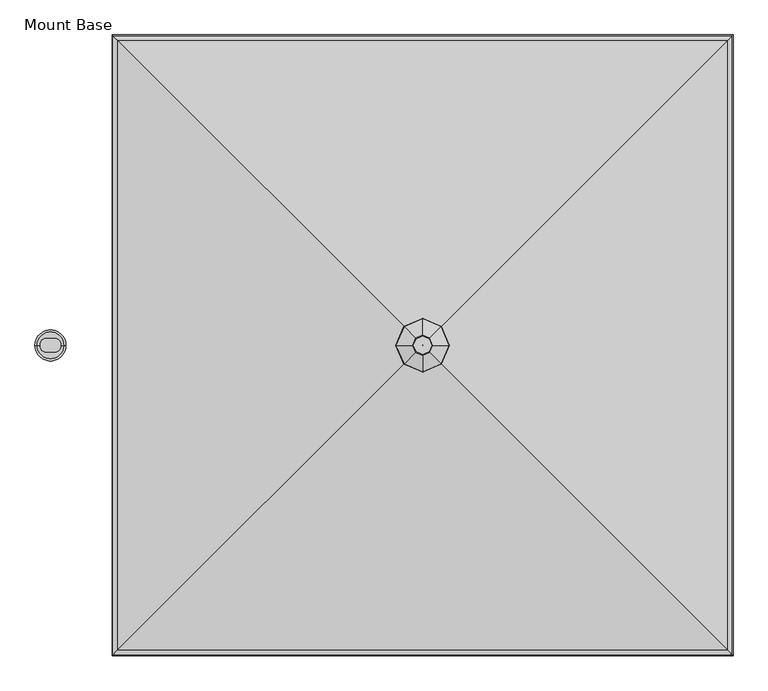
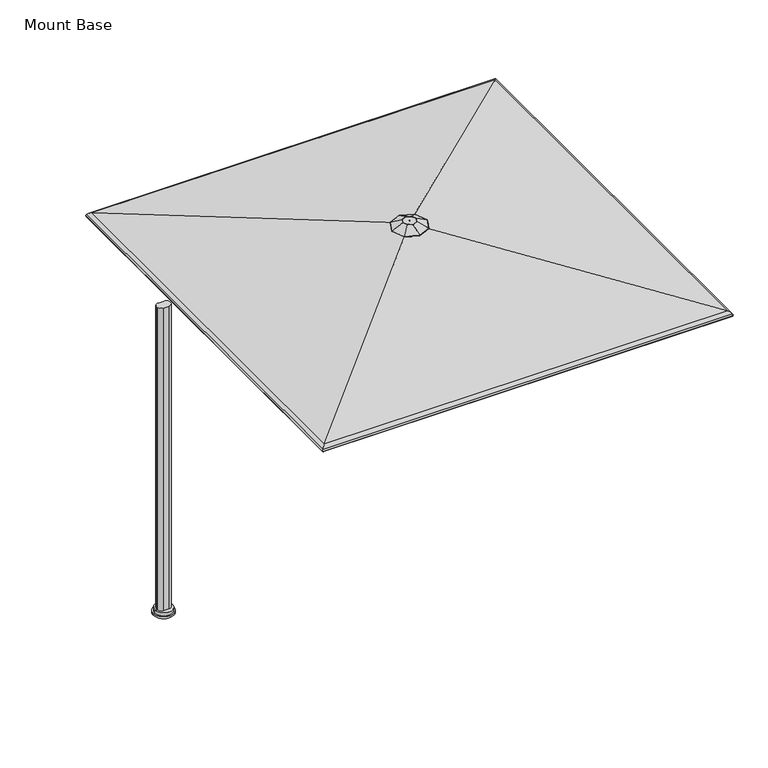
"""IFC4 building model written with IfcOpenShell, lengths in millimetres: furniture geometry, Mount Base."""

import ifcopenshell
import ifcopenshell.guid

model = None  # the IFC model being written
_history = None  # IfcOwnerHistory: only IFC2X3 demands one
_inside = {}  # id of a spatial element -> (the spatial element, [elements in it])
_under = {}  # id of a project, library or spatial element -> (it, [spatial elements below it])
_declared = {}  # id of a project -> (the project, [libraries it declares])
_typed = {}  # id of a type object -> (the type object, [elements of that type])
_made_of = {}  # id of a material, layer set ... -> (it, [elements and type objects made of it])


def new_model(schema):
    """Start an empty IFC model of exactly this schema.

    Asked for "IFC4X3", IfcOpenShell would pick the latest addendum, in which some entities
    have other attributes; the version numbers below select the first issue.
    IFC2X3 requires an IfcOwnerHistory on every rooted entity: one is made here for all.
    """
    global model, _history
    if schema == "IFC4X3":
        model = ifcopenshell.file(schema_version=(4, 3, 0, 0))
    else:
        model = ifcopenshell.file(schema=schema)
    _inside.clear()
    _under.clear()
    _declared.clear()
    _typed.clear()
    _made_of.clear()
    _history = None
    if model.schema == "IFC2X3":
        org = make("IfcOrganization", Name="unknown")
        user = make(
            "IfcPersonAndOrganization",
            ThePerson=make("IfcPerson", FamilyName="unknown"),
            TheOrganization=org,
        )
        app = make(
            "IfcApplication",
            ApplicationDeveloper=org,
            Version="unknown",
            ApplicationFullName="unknown",
            ApplicationIdentifier="unknown",
        )
        _history = make(
            "IfcOwnerHistory",
            OwningUser=user,
            OwningApplication=app,
            ChangeAction="ADDED",
            CreationDate=0,
        )
    return model


def make(cls, **values):
    """One entity of the class cls with the attributes given. An attribute that is None is left unset."""
    return model.create_entity(
        cls, **{name: value for name, value in values.items() if value is not None}
    )


def rooted(cls, **values):
    """An entity with a GlobalId (a new one), such as an element, a storey or a relation."""
    return make(cls, GlobalId=ifcopenshell.guid.new(), OwnerHistory=_history, **values)


def si_unit(unit_type, name, prefix=None):
    """IfcSIUnit, for example si_unit("LENGTHUNIT", "METRE", prefix="MILLI")."""
    return make("IfcSIUnit", UnitType=unit_type, Prefix=prefix, Name=name)


def assignment(units):
    """IfcUnitAssignment: the units of a project."""
    return None if units is None else make("IfcUnitAssignment", Units=units)


def point(xyz):
    """IfcCartesianPoint."""
    return None if xyz is None else make("IfcCartesianPoint", Coordinates=xyz)


def direction(xyz):
    """IfcDirection."""
    return None if xyz is None else make("IfcDirection", DirectionRatios=xyz)


def frame(location, z_axis=None, x_axis=None):
    """IfcAxis2Placement3D, a coordinate frame: its origin and axes. An axis left out is left unset."""
    return make(
        "IfcAxis2Placement3D",
        Location=point(location),
        Axis=direction(z_axis),
        RefDirection=direction(x_axis),
    )


def frame_2d(location, x_axis=None):
    """IfcAxis2Placement2D, a coordinate frame in the plane: its origin and x axis."""
    return make(
        "IfcAxis2Placement2D", Location=point(location), RefDirection=direction(x_axis)
    )


def origin():
    """The frame at (0, 0, 0) with its axes left unset."""
    return frame((0.0, 0.0, 0.0))


def place(relative_to, where):
    """IfcLocalPlacement: puts the frame where relative to a parent placement (None: the world)."""
    return make(
        "IfcLocalPlacement", PlacementRelTo=relative_to, RelativePlacement=where
    )


def context(
    kind, dimensions, precision=None, world=None, true_north=None, identifier=None
):
    """IfcGeometricRepresentationContext, for example the 3D "Model" context."""
    return make(
        "IfcGeometricRepresentationContext",
        ContextIdentifier=identifier,
        ContextType=kind,
        CoordinateSpaceDimension=dimensions,
        Precision=precision,
        WorldCoordinateSystem=world,
        TrueNorth=true_north,
    )


def project(units=None, contexts=None):
    """IfcProject with its units and contexts."""
    return rooted(
        "IfcProject",
        Name="project",
        RepresentationContexts=contexts,
        UnitsInContext=assignment(units),
    )


def spatial(cls, under=None, at=None, **own):
    """A site, building, storey or space (cls), placed at a placement, below another one or the project."""
    s = rooted(cls, ObjectPlacement=at, **own)
    if under is not None:
        _under.setdefault(under.id(), (under, []))[1].append(s)
    return s


def polyline(points):
    """IfcPolyline through the points."""
    return make("IfcPolyline", Points=[point(p) for p in points])


def circle_curve(where, radius):
    """IfcCircle in the frame where."""
    return make("IfcCircle", Position=where, Radius=radius)


def ellipse_curve(where, semi_axis1, semi_axis2):
    """IfcEllipse in the frame where."""
    return make(
        "IfcEllipse", Position=where, SemiAxis1=semi_axis1, SemiAxis2=semi_axis2
    )


def trimmed(basis, trim1, trim2, sense, master):
    """IfcTrimmedCurve: the piece of a basis curve between two trims."""
    return make(
        "IfcTrimmedCurve",
        BasisCurve=basis,
        Trim1=trim1,
        Trim2=trim2,
        SenseAgreement=sense,
        MasterRepresentation=master,
    )


def segment(curve, same_sense, transition):
    """IfcCompositeCurveSegment."""
    return make(
        "IfcCompositeCurveSegment",
        Transition=transition,
        SameSense=same_sense,
        ParentCurve=curve,
    )


def composite_curve(segments, self_intersect=None):
    """IfcCompositeCurve: segments joined end to end."""
    return make("IfcCompositeCurve", Segments=segments, SelfIntersect=self_intersect)


def outline(outer, holes=None, kind="AREA"):
    """IfcArbitraryClosedProfileDef: a profile drawn as a closed curve; with holes, ...WithVoids."""
    if holes is None:
        return make("IfcArbitraryClosedProfileDef", ProfileType=kind, OuterCurve=outer)
    return make(
        "IfcArbitraryProfileDefWithVoids",
        ProfileType=kind,
        OuterCurve=outer,
        InnerCurves=holes,
    )


def extrude(swept, where, along, depth):
    """IfcExtrudedAreaSolid: the profile swept, set in the frame where, extruded along a direction by depth."""
    return make(
        "IfcExtrudedAreaSolid",
        SweptArea=swept,
        Position=where,
        ExtrudedDirection=direction(along),
        Depth=depth,
    )


def shape(context_of_items, identifier, shape_type, items):
    """IfcShapeRepresentation: the items that make up one representation, for example the "Body"."""
    return make(
        "IfcShapeRepresentation",
        ContextOfItems=context_of_items,
        RepresentationIdentifier=identifier,
        RepresentationType=shape_type,
        Items=items,
    )


def source(mapping_origin, context_of_items, identifier, shape_type, items):
    """IfcRepresentationMap: a shape defined once, which mapped items show again and again."""
    return make(
        "IfcRepresentationMap",
        MappingOrigin=mapping_origin,
        MappedRepresentation=shape(context_of_items, identifier, shape_type, items),
    )


def transform(
    local_origin,
    x_axis=None,
    y_axis=None,
    z_axis=None,
    scale=None,
    scale2=None,
    scale3=None,
    uniform=True,
):
    """IfcCartesianTransformationOperator3D, or its non-uniform kind. x_axis, y_axis, z_axis: its Axis1, 2, 3."""
    if uniform:
        return make(
            "IfcCartesianTransformationOperator3D",
            Axis1=direction(x_axis),
            Axis2=direction(y_axis),
            LocalOrigin=point(local_origin),
            Scale=scale,
            Axis3=direction(z_axis),
        )
    return make(
        "IfcCartesianTransformationOperator3DnonUniform",
        Axis1=direction(x_axis),
        Axis2=direction(y_axis),
        LocalOrigin=point(local_origin),
        Scale=scale,
        Axis3=direction(z_axis),
        Scale2=scale2,
        Scale3=scale3,
    )


def mapped(mapping_source, mapping_target):
    """IfcMappedItem: shows the shape of a source again, moved by a transform."""
    return make(
        "IfcMappedItem", MappingSource=mapping_source, MappingTarget=mapping_target
    )


def made_of(thing, what):
    """Note that an element or type object is made of a material, layer set ...; save() writes the relation."""
    if what is not None:
        _made_of.setdefault(what.id(), (what, []))[1].append(thing)
    return thing


def element(
    cls,
    number,
    at=None,
    inside=None,
    cuts=None,
    type_object=None,
    material=None,
    context=None,
    identifier="Body",
    shape_type=None,
    held_by="IfcProductDefinitionShape",
    body=None,
    shapes=None,
    **own,
):
    """One element of the class cls, such as IfcWall. Its Tag is "e" and its number.

    at: its placement. inside: the storey or other place that contains it. cuts: it is an
    opening in that element (IfcRelVoidsElement). A single representation is given by context,
    identifier, shape_type and body (its items); several are given by shapes. held_by: the class
    of the entity that holds the representations. save() writes the other relations.
    """
    e = rooted(cls, Tag="e%d" % number, ObjectPlacement=at, **own)
    if body is not None:
        shapes = [shape(context, identifier, shape_type, body)]
    if shapes is not None:
        e.Representation = make(held_by, Representations=shapes)
    if inside is not None:
        _inside.setdefault(inside.id(), (inside, []))[1].append(e)
    if cuts is not None:
        rooted(
            "IfcRelVoidsElement", RelatingBuildingElement=cuts, RelatedOpeningElement=e
        )
    if type_object is not None:
        _typed.setdefault(type_object.id(), (type_object, []))[1].append(e)
    return made_of(e, material)


def aggregate(whole, parts):
    """IfcRelAggregates: a whole, such as a stair, and the parts it consists of."""
    return rooted("IfcRelAggregates", RelatingObject=whole, RelatedObjects=parts)


def save(model, path):
    """Write the relations noted so far, then the file.

    IfcRelAggregates (storeys below a building ...), IfcRelContainedInSpatialStructure (elements
    in a storey), IfcRelDefinesByType, IfcRelAssociatesMaterial and IfcRelDeclares: one each for
    every whole, place, type object, material and project.
    """
    for whole, parts in _under.values():
        aggregate(whole, parts)
    for where, things in _inside.values():
        rooted(
            "IfcRelContainedInSpatialStructure",
            RelatedElements=things,
            RelatingStructure=where,
        )
    for kind, things in _typed.values():
        rooted("IfcRelDefinesByType", RelatedObjects=things, RelatingType=kind)
    for what, things in _made_of.values():
        rooted("IfcRelAssociatesMaterial", RelatedObjects=things, RelatingMaterial=what)
    for by, libraries in _declared.values():
        rooted("IfcRelDeclares", RelatingContext=by, RelatedDefinitions=libraries)
    model.write(path)


def plane_surface(at):
    """IfcPlane: the flat surface through the origin of the frame at, square to its z axis."""
    return make("IfcPlane", Position=at)


def cylinder_surface(at, radius):
    """IfcCylindricalSurface: all points at the distance radius from the z axis of the frame at."""
    return make("IfcCylindricalSurface", Position=at, Radius=radius)


def revolved_surface(curve, axis_point, axis_direction):
    """IfcSurfaceOfRevolution: the curve turned about the line through axis_point along axis_direction."""
    return make(
        "IfcSurfaceOfRevolution",
        SweptCurve=make("IfcArbitraryOpenProfileDef", ProfileType="CURVE", Curve=curve),
        AxisPosition=make("IfcAxis1Placement", Location=point(axis_point), Axis=direction(axis_direction)),
    )


def advanced_brep(points, edges, surfaces, faces):
    """IfcAdvancedBrep: a solid bounded by faces that lie on surfaces and meet in shared edges.

    An edge is (start, end): straight between two places in points (the first is 0);
    or (start, end, curve); or (start, end, curve, False) where it runs against its curve.
    A face is (place in surfaces, loops), or (place, loops, False) where it looks against
    its surface's normal. A loop lists edges by number (the first is 1), with a minus sign
    where the edge is run from its end to its start. The first loop is the outer one.
    """
    corners = [point(p) for p in points]
    vertices = [make("IfcVertexPoint", VertexGeometry=c) for c in corners]
    made = []
    for start, end, *more in edges:
        made.append(
            make(
                "IfcEdgeCurve",
                EdgeStart=vertices[start],
                EdgeEnd=vertices[end],
                EdgeGeometry=more[0] if more else make("IfcPolyline", Points=[corners[start], corners[end]]),
                SameSense=more[1] if len(more) > 1 else True,
            )
        )
    hull = []
    for where, loops, *sense in faces:
        bounds = []
        for j, loop in enumerate(loops):
            ring = [make("IfcOrientedEdge", EdgeElement=made[abs(k) - 1], Orientation=k > 0) for k in loop]
            bounds.append(
                make(
                    "IfcFaceOuterBound" if j == 0 else "IfcFaceBound",
                    Bound=make("IfcEdgeLoop", EdgeList=ring),
                    Orientation=True,
                )
            )
        hull.append(make("IfcAdvancedFace", Bounds=bounds, FaceSurface=surfaces[where], SameSense=sense[0] if sense else True))
    return make("IfcAdvancedBrep", Outer=make("IfcClosedShell", CfsFaces=hull))


def mount_base_5adf1c4e(model_context):
    return source(origin(), model_context, "Body", "SolidModel", [
        advanced_brep(
        [(243.7167733, -4.0299408, 2843.4799255), (227.6284214, 33.0984806, 2843.4799255), (190.5, 49.1868325, 2843.4799255), (153.3715786, 33.0984806, 2843.4799255), (137.2832267, -4.0299408, 2843.4799255), (153.3715786, -41.1583622, 2843.4799255), (190.5, -57.2467141, 2843.4799255), (227.6284214, -41.1583622, 2843.4799255), (190.2200807, -3.7500215, 2843.4799255), (190.5, -3.6287279, 2843.4799255), (190.7799193, -3.7500215, 2843.4799255), (190.9012128, -4.0299408, 2843.4799255), (190.7799193, -4.30986, 2843.4799255), (190.5, -4.4311536, 2843.4799255), (190.2200807, -4.30986, 2843.4799255), (190.0987872, -4.0299408, 2843.4799255), (170.7122835, 15.7577757, 2828.9716869), (190.5, 24.3321167, 2828.9716869), (210.2877165, 15.7577757, 2828.9716869), (218.8620575, -4.0299408, 2828.9716869), (210.2877165, -23.8176572, 2828.9716869), (190.5, -32.3919982, 2828.9716869), (170.7122835, -23.8176572, 2828.9716869), (162.1379425, -4.0299408, 2828.9716869), (190.9012128, -4.0299408, 2828.9716869), (190.7799193, -3.7500215, 2828.9716869), (190.5, -3.6287279, 2828.9716869), (190.2200807, -3.7500215, 2828.9716869), (190.0987872, -4.0299408, 2828.9716869), (190.2200807, -4.30986, 2828.9716869), (190.5, -4.4311536, 2828.9716869), (190.7799193, -4.30986, 2828.9716869), (84.5700231, 101.9000361, 2796.4187712), (38.6688326, -4.0299408, 2796.4187712), (83.8039003, 102.6661589, 2798.9948487), (37.5707362, -4.0299408, 2798.9948487), (149.033862, 37.4361973, 2842.1265361), (131.0659065, -4.0299408, 2842.1265361), (84.5700231, -109.9599176, 2796.4187712), (83.8039003, -110.7260405, 2798.9948487), (149.033862, -45.4960788, 2842.1265361), (190.5, -155.8611082, 2796.4187712), (190.5, -156.9592046, 2798.9948487), (190.5, -63.4640343, 2842.1265361), (296.4299769, -109.9599176, 2796.4187712), (297.1960997, -110.7260405, 2798.9948487), (231.966138, -45.4960788, 2842.1265361), (342.3311674, -4.0299408, 2796.4187712), (343.4292638, -4.0299408, 2798.9948487), (249.9340935, -4.0299408, 2842.1265361), (296.4299769, 101.9000361, 2796.4187712), (297.1960997, 102.6661589, 2798.9948487), (231.966138, 37.4361973, 2842.1265361), (190.5, 147.8012266, 2796.4187712), (190.5, 148.899323, 2798.9948487), (190.5, 55.4041527, 2842.1265361)],
        [
            (0, 1),
            (1, 2),
            (2, 3),
            (3, 4),
            (4, 5),
            (5, 6),
            (6, 7),
            (7, 0),
            (8, 9),
            (9, 10),
            (10, 11),
            (11, 12),
            (12, 13),
            (13, 14),
            (14, 15),
            (15, 8),
            (16, 17),
            (17, 18),
            (18, 19),
            (19, 20),
            (20, 21),
            (21, 22),
            (22, 23),
            (23, 16),
            (24, 25),
            (25, 26),
            (26, 27),
            (27, 28),
            (28, 29),
            (29, 30),
            (30, 31),
            (31, 24),
            (27, 8),
            (15, 28),
            (14, 29),
            (13, 30),
            (12, 31),
            (11, 24),
            (10, 25),
            (9, 26),
            (32, 16),
            (23, 33),
            (33, 32),
            (34, 32, ellipse_curve(frame((84.278338, 102.1917212, 2797.7538132), z_axis=(-0.7071067811865479, -0.707106781186547, 0.0), x_axis=(-0.7071067811865467, 0.7071067811865482, 0.0)), 1.4936871, 1.3890625)),
            (33, 35, ellipse_curve(frame((38.2507556, -4.0299408, 2797.7538132), z_axis=(0.0, 0.9999999999999999, 0.0), x_axis=(1.0, 0.0, 0.0)), 1.5138634, 1.3890625)),
            (35, 34),
            (36, 34),
            (35, 37),
            (37, 36),
            (3, 36, ellipse_curve(frame((153.3715786, 33.0984806, 2830.7799255), z_axis=(-0.7071067811865479, -0.707106781186547, 0.0), x_axis=(-0.7071067811865467, 0.7071067811865482, 0.0)), 13.656568, 12.7)),
            (37, 4, ellipse_curve(frame((137.2832267, -4.0299408, 2830.7799255), z_axis=(0.0, 0.9999999999999999, 0.0), x_axis=(1.0, 0.0, 0.0)), 13.8410369, 12.7)),
            (22, 38),
            (38, 33),
            (38, 39, ellipse_curve(frame((84.278338, -110.2516027, 2797.7538132), z_axis=(-0.707106781186547, 0.707106781186548, 0.0), x_axis=(0.7071067811865479, 0.707106781186547, 0.0)), 1.4936871, 1.3890625)),
            (39, 35),
            (39, 40),
            (40, 37),
            (40, 5, ellipse_curve(frame((153.3715786, -41.1583622, 2830.7799255), z_axis=(-0.707106781186547, 0.707106781186548, 0.0), x_axis=(0.7071067811865479, 0.707106781186547, 0.0)), 13.656568, 12.7)),
            (21, 41),
            (41, 38),
            (41, 42, ellipse_curve(frame((190.5, -156.2791852, 2797.7538132), z_axis=(-0.9999999999999999, 0.0, 0.0), x_axis=(0.0, 1.0, 0.0)), 1.5138634, 1.3890625)),
            (42, 39),
            (42, 43),
            (43, 40),
            (43, 6, ellipse_curve(frame((190.5, -57.2467141, 2830.7799255), z_axis=(-0.9999999999999999, 0.0, 0.0), x_axis=(0.0, 1.0, 0.0)), 13.8410369, 12.7)),
            (20, 44),
            (44, 41),
            (44, 45, ellipse_curve(frame((296.721662, -110.2516027, 2797.7538132), z_axis=(-0.707106781186548, -0.707106781186547, 0.0), x_axis=(-0.7071067811865469, 0.7071067811865481, 0.0)), 1.4936871, 1.3890625)),
            (45, 42),
            (45, 46),
            (46, 43),
            (46, 7, ellipse_curve(frame((227.6284214, -41.1583622, 2830.7799255), z_axis=(-0.707106781186548, -0.707106781186547, 0.0), x_axis=(-0.7071067811865469, 0.7071067811865481, 0.0)), 13.656568, 12.7)),
            (19, 47),
            (47, 44),
            (47, 48, ellipse_curve(frame((342.7492444, -4.0299408, 2797.7538132), z_axis=(0.0, -1.0, 0.0), x_axis=(-1.0, 0.0, 0.0)), 1.5138634, 1.3890625)),
            (48, 45),
            (48, 49),
            (49, 46),
            (49, 0, ellipse_curve(frame((243.7167733, -4.0299408, 2830.7799255), z_axis=(0.0, -1.0, 0.0), x_axis=(-1.0, 0.0, 0.0)), 13.8410369, 12.7)),
            (18, 50),
            (50, 47),
            (50, 51, ellipse_curve(frame((296.721662, 102.1917212, 2797.7538132), z_axis=(0.707106781186547, -0.707106781186548, 0.0), x_axis=(-0.7071067811865478, -0.7071067811865471, 0.0)), 1.4936871, 1.3890625)),
            (51, 48),
            (51, 52),
            (52, 49),
            (52, 1, ellipse_curve(frame((227.6284214, 33.0984806, 2830.7799255), z_axis=(0.707106781186547, -0.707106781186548, 0.0), x_axis=(-0.7071067811865478, -0.7071067811865471, 0.0)), 13.656568, 12.7)),
            (17, 53),
            (53, 50),
            (53, 54, ellipse_curve(frame((190.5, 148.2193037, 2797.7538132), z_axis=(0.9999999999999999, 0.0, 0.0), x_axis=(0.0, -1.0, 0.0)), 1.5138634, 1.3890625)),
            (54, 51),
            (54, 55),
            (55, 52),
            (55, 2, ellipse_curve(frame((190.5, 49.1868325, 2830.7799255), z_axis=(0.9999999999999999, 0.0, 0.0), x_axis=(0.0, -1.0, 0.0)), 13.8410369, 12.7)),
            (32, 53),
            (34, 54),
            (36, 55),
        ],
        [
            plane_surface(frame((190.5, 49.1868325, 2843.4799255), z_axis=(0.0, 0.0, 1.0), x_axis=(-0.9175613115760063, -0.3975943152246007, 0.0))),
            plane_surface(frame((190.5, -3.6287279, 2828.9716869), z_axis=(0.0, 0.0, -1.0000000000000002), x_axis=(-0.9175613115759947, -0.39759431522462746, 0.0))),
            plane_surface(frame((190.2200807, -3.7500215, 2843.4799255), z_axis=(0.9175613115760348, -0.397594315224535, 0.0), x_axis=(-0.397594315224535, -0.9175613115760348, 0.0))),
            plane_surface(frame((190.0987872, -4.0299408, 2843.4799255), z_axis=(0.9175613115760161, 0.3975943152245781, 0.0), x_axis=(0.3975943152245781, -0.9175613115760161, 0.0))),
            plane_surface(frame((190.2200807, -4.30986, 2843.4799255), z_axis=(0.39759431522454197, 0.9175613115760317, 0.0), x_axis=(0.9175613115760317, -0.39759431522454197, 0.0))),
            plane_surface(frame((190.5, -4.4311536, 2843.4799255), z_axis=(-0.3975943152245726, 0.9175613115760184, 0.0), x_axis=(0.9175613115760184, 0.3975943152245726, 0.0))),
            plane_surface(frame((190.7799193, -4.30986, 2843.4799255), z_axis=(-0.9175613115759994, 0.39759431522461663, 0.0), x_axis=(0.39759431522461663, 0.9175613115759994, 0.0))),
            plane_surface(frame((190.9012128, -4.0299408, 2843.4799255), z_axis=(-0.91756131157602, -0.3975943152245694, 0.0), x_axis=(-0.3975943152245694, 0.91756131157602, 0.0))),
            plane_surface(frame((190.7799193, -3.7500215, 2843.4799255), z_axis=(-0.3975943152246114, -0.9175613115760016, 0.0), x_axis=(-0.9175613115760016, 0.3975943152246114, 0.0))),
            plane_surface(frame((190.5, -3.6287279, 2843.4799255), z_axis=(0.39759431522460253, -0.9175613115760055, 0.0), x_axis=(-0.9175613115760055, -0.39759431522460253, 0.0))),
            plane_surface(frame((170.7122835, 15.7577757, 2828.9716869), z_axis=(0.25339888552783735, -0.10980187928485084, -0.9611100624375781), x_axis=(-0.39759431522460265, -0.9175613115760055, 0.0))),
            cylinder_surface(frame((84.3593942, 102.3787813, 2797.7538132), z_axis=(0.3975943152246023, 0.9175613115760056, 0.0), x_axis=(0.9175613115760056, -0.3975943152246023, 0.0)), 1.3890625),
            plane_surface(frame((83.8039003, 102.6661589, 2798.9948487), z_axis=(-0.4121636618055376, 0.1785972520948631, 0.8934339021053628), x_axis=(-0.3975943152246023, -0.9175613115760056, 0.0))),
            cylinder_surface(frame((167.7366896, 66.2500363, 2830.7799255), z_axis=(0.3975943152246023, 0.9175613115760056, 0.0), x_axis=(0.9175613115760056, -0.3975943152246023, 0.0)), 12.7),
            plane_surface(frame((162.1379425, -4.0299408, 2828.9716869), z_axis=(0.25339888552783774, 0.1098018792848499, -0.9611100624375779), x_axis=(0.39759431522459926, -0.9175613115760068, 0.0))),
            cylinder_surface(frame((38.1619188, -3.8249249, 2797.7538132), z_axis=(-0.39759431522459965, 0.9175613115760068, 0.0), x_axis=(0.9175613115760068, 0.39759431522459965, 0.0)), 1.3890625),
            plane_surface(frame((37.5707362, -4.0299408, 2798.9948487), z_axis=(-0.41216366180553804, -0.17859725209486188, 0.8934339021053624), x_axis=(0.39759431522459965, -0.9175613115760067, 0.0))),
            cylinder_surface(frame((121.5392142, 32.3038202, 2830.7799255), z_axis=(-0.39759431522459965, 0.9175613115760068, 0.0), x_axis=(0.9175613115760068, 0.39759431522459965, 0.0)), 12.7),
            plane_surface(frame((170.7122835, -23.8176572, 2828.9716869), z_axis=(0.10980187928485022, 0.2533988855278375, -0.9611100624375781), x_axis=(0.9175613115760065, -0.39759431522460054, 0.0))),
            cylinder_surface(frame((84.0912779, -110.1705465, 2797.7538132), z_axis=(-0.9175613115760063, 0.3975943152246009, 0.0), x_axis=(0.3975943152246009, 0.9175613115760063, 0.0)), 1.3890625),
            plane_surface(frame((83.8039003, -110.7260405, 2798.9948487), z_axis=(-0.17859725209486255, -0.4121636618055377, 0.8934339021053628), x_axis=(0.9175613115760062, -0.39759431522460115, 0.0))),
            cylinder_surface(frame((120.2200229, -26.7932512, 2830.7799255), z_axis=(-0.9175613115760063, 0.3975943152246009, 0.0), x_axis=(0.3975943152246009, 0.9175613115760063, 0.0)), 12.7),
            plane_surface(frame((190.5, -32.3919982, 2828.9716869), z_axis=(-0.10980187928485018, 0.2533988855278376, -0.9611100624375781), x_axis=(0.9175613115760065, 0.39759431522460026, 0.0))),
            cylinder_surface(frame((190.2949841, -156.368022, 2797.7538132), z_axis=(-0.9175613115760062, -0.3975943152246011, 0.0), x_axis=(-0.3975943152246011, 0.9175613115760062, 0.0)), 1.3890625),
            plane_surface(frame((190.5, -156.9592046, 2798.9948487), z_axis=(0.1785972520948624, -0.4121636618055376, 0.8934339021053627), x_axis=(0.9175613115760062, 0.397594315224601, 0.0))),
            cylinder_surface(frame((154.1662391, -72.9907266, 2830.7799255), z_axis=(-0.9175613115760062, -0.3975943152246011, 0.0), x_axis=(-0.3975943152246011, 0.9175613115760062, 0.0)), 12.7),
            plane_surface(frame((210.2877165, -23.8176572, 2828.9716869), z_axis=(-0.2533988855278374, 0.10980187928485075, -0.9611100624375781), x_axis=(0.3975943152246023, 0.9175613115760056, 0.0))),
            cylinder_surface(frame((296.6406058, -110.4386628, 2797.7538132), z_axis=(-0.3975943152246023, -0.9175613115760057, 0.0), x_axis=(-0.9175613115760057, 0.3975943152246023, 0.0)), 1.3890625),
            plane_surface(frame((297.1960997, -110.7260405, 2798.9948487), z_axis=(0.4121636618055374, -0.17859725209486313, 0.8934339021053627), x_axis=(0.39759431522460253, 0.9175613115760055, 0.0))),
            cylinder_surface(frame((213.2633104, -74.3099178, 2830.7799255), z_axis=(-0.3975943152246023, -0.9175613115760057, 0.0), x_axis=(-0.9175613115760057, 0.3975943152246023, 0.0)), 12.7),
            plane_surface(frame((218.8620575, -4.0299408, 2828.9716869), z_axis=(-0.2533988855278377, -0.1098018792848499, -0.961110062437578), x_axis=(-0.3975943152245993, 0.9175613115760068, 0.0))),
            cylinder_surface(frame((342.8380812, -4.2349567, 2797.7538132), z_axis=(0.39759431522459965, -0.9175613115760066, 0.0), x_axis=(-0.9175613115760066, -0.39759431522459965, 0.0)), 1.3890625),
            plane_surface(frame((343.4292638, -4.0299408, 2798.9948487), z_axis=(0.4121636618055379, 0.1785972520948618, 0.8934339021053627), x_axis=(-0.3975943152245996, 0.9175613115760067, 0.0))),
            cylinder_surface(frame((259.4607858, -40.3637017, 2830.7799255), z_axis=(0.39759431522459965, -0.9175613115760066, 0.0), x_axis=(-0.9175613115760066, -0.39759431522459965, 0.0)), 12.7),
            plane_surface(frame((210.2877165, 15.7577757, 2828.9716869), z_axis=(-0.10980187928485009, -0.2533988855278375, -0.961110062437578), x_axis=(-0.9175613115760065, 0.3975943152246001, 0.0))),
            cylinder_surface(frame((296.9087221, 102.110665, 2797.7538132), z_axis=(0.9175613115760062, -0.3975943152246008, 0.0), x_axis=(-0.3975943152246008, -0.9175613115760062, 0.0)), 1.3890625),
            plane_surface(frame((297.1960997, 102.6661589, 2798.9948487), z_axis=(0.17859725209486232, 0.41216366180553754, 0.8934339021053628), x_axis=(-0.9175613115760062, 0.39759431522460087, 0.0))),
            cylinder_surface(frame((260.7799771, 18.7333696, 2830.7799255), z_axis=(0.9175613115760062, -0.3975943152246008, 0.0), x_axis=(-0.3975943152246008, -0.9175613115760062, 0.0)), 12.7),
            plane_surface(frame((190.5, 24.3321167, 2828.9716869), z_axis=(0.1098018792848503, -0.25339888552783746, -0.961110062437578), x_axis=(-0.9175613115760063, -0.39759431522460087, 0.0))),
            cylinder_surface(frame((190.7050159, 148.3081404, 2797.7538132), z_axis=(0.9175613115760061, 0.39759431522460115, 0.0), x_axis=(0.39759431522460115, -0.9175613115760061, 0.0)), 1.3890625),
            plane_surface(frame((190.5, 148.899323, 2798.9948487), z_axis=(-0.17859725209486235, 0.4121636618055375, 0.8934339021053627), x_axis=(-0.9175613115760062, -0.397594315224601, 0.0))),
            cylinder_surface(frame((226.8337609, 64.9308451, 2830.7799255), z_axis=(0.9175613115760061, 0.39759431522460115, 0.0), x_axis=(0.39759431522460115, -0.9175613115760061, 0.0)), 12.7),
        ],
        [
            (0, [[1, 2, 3, 4, 5, 6, 7, 8], [9, 10, 11, 12, 13, 14, 15, 16]]),
            (1, [[17, 18, 19, 20, 21, 22, 23, 24], [25, 26, 27, 28, 29, 30, 31, 32]]),
            (2, [[33, -16, 34, -28]]),
            (3, [[-34, -15, 35, -29]]),
            (4, [[-35, -14, 36, -30]]),
            (5, [[-36, -13, 37, -31]]),
            (6, [[-37, -12, 38, -32]]),
            (7, [[-38, -11, 39, -25]]),
            (8, [[-39, -10, 40, -26]]),
            (9, [[-40, -9, -33, -27]]),
            (10, [[41, -24, 42, 43]]),
            (11, [[44, -43, 45, 46]]),
            (12, [[47, -46, 48, 49]]),
            (13, [[50, -49, 51, -4]]),
            (14, [[-42, -23, 52, 53]]),
            (15, [[-45, -53, 54, 55]]),
            (16, [[-48, -55, 56, 57]]),
            (17, [[-51, -57, 58, -5]]),
            (18, [[-52, -22, 59, 60]]),
            (19, [[-54, -60, 61, 62]]),
            (20, [[-56, -62, 63, 64]]),
            (21, [[-58, -64, 65, -6]]),
            (22, [[-59, -21, 66, 67]]),
            (23, [[-61, -67, 68, 69]]),
            (24, [[-63, -69, 70, 71]]),
            (25, [[-65, -71, 72, -7]]),
            (26, [[-66, -20, 73, 74]]),
            (27, [[-68, -74, 75, 76]]),
            (28, [[-70, -76, 77, 78]]),
            (29, [[-72, -78, 79, -8]]),
            (30, [[-73, -19, 80, 81]]),
            (31, [[-75, -81, 82, 83]]),
            (32, [[-77, -83, 84, 85]]),
            (33, [[-79, -85, 86, -1]]),
            (34, [[-80, -18, 87, 88]]),
            (35, [[-82, -88, 89, 90]]),
            (36, [[-84, -90, 91, 92]]),
            (37, [[-86, -92, 93, -2]]),
            (38, [[-87, -17, -41, 94]]),
            (39, [[-89, -94, -44, 95]]),
            (40, [[-91, -95, -47, 96]]),
            (41, [[-93, -96, -50, -3]]),
        ],
    ),
        advanced_brep(
        [(1969.2597722, 1775.5831599, 2424.8460308), (1966.4607714, 1772.7841591, 2444.7505632), (1966.4607714, -1780.8440407, 2444.7505632), (1969.2597722, -1783.6430415, 2424.8460308), (1964.8682201, 1771.1916078, 2426.0889856), (1964.8682201, -1779.2514894, 2426.0889856), (1962.5823249, 1768.9057126, 2442.3446706), (1962.5823249, -1776.9655942, 2442.3446706), (-1588.2597722, -1783.6430415, 2424.8460308), (-1583.8682201, -1779.2514894, 2426.0889856), (-1581.5823249, -1776.9655942, 2442.3446706), (1936.4170078, -1750.8002771, 2460.5452311), (-1555.4170078, -1750.8002771, 2460.5452311), (238.8667055, -53.2499747, 2804.5941208), (142.1332945, -53.2499747, 2804.5941208), (191.0356592, -5.4189284, 2809.1581833), (191.0356592, -5.4189284, 2804.5941208), (189.9643408, -5.4189284, 2804.5941208), (189.9643408, -5.4189284, 2809.1581833), (1937.3235912, -1751.7068604, 2465.0183478), (239.3245589, -53.7078281, 2809.1581833), (141.6754411, -53.7078281, 2809.1581833), (-1556.3235912, -1751.7068604, 2465.0183478), (-1585.4607714, -1780.8440407, 2444.7505632), (-1588.2597722, 1775.5831599, 2424.8460308), (-1583.8682201, 1771.1916078, 2426.0889856), (-1581.5823249, 1768.9057126, 2442.3446706), (-1555.4170078, 1742.7403955, 2460.5452311), (142.1332945, 45.1900932, 2804.5941208), (189.9643408, -2.6409532, 2804.5941208), (189.9643408, -2.6409532, 2809.1581833), (141.6754411, 45.6479465, 2809.1581833), (-1556.3235912, 1743.6469788, 2465.0183478), (-1585.4607714, 1772.7841591, 2444.7505632), (1936.4170078, 1742.7403955, 2460.5452311), (238.8667055, 45.1900932, 2804.5941208), (191.0356592, -2.6409532, 2804.5941208), (191.0356592, -2.6409532, 2809.1581833), (239.3245589, 45.6479465, 2809.1581833), (1937.3235912, 1743.6469788, 2465.0183478)],
        [
            (0, 1, ellipse_curve(frame((1945.3037712, 1751.6271588, 2431.626373), z_axis=(0.7071067811865479, -0.707106781186547, 0.0), x_axis=(0.7071067811865469, 0.7071067811865481, 0.0)), 35.2097438, 24.8970486)),
            (1, 2),
            (2, 3, ellipse_curve(frame((1945.3037712, -1759.6870404, 2431.626373), z_axis=(0.7071067811865492, 0.7071067811865457, 0.0), x_axis=(-0.7071067811865456, 0.7071067811865493, 0.0)), 35.2097438, 24.8970486)),
            (3, 0),
            (4, 0, ellipse_curve(frame((1967.0639962, 1773.3873839, 2425.4675082), z_axis=(0.7071067811865479, -0.707106781186547, 0.0), x_axis=(0.7071067811865469, 0.7071067811865481, 0.0)), 3.2272795, 2.2820312)),
            (3, 5, ellipse_curve(frame((1967.0639962, -1781.4472654, 2425.4675082), z_axis=(0.7071067811865492, 0.7071067811865457, 0.0), x_axis=(-0.7071067811865456, 0.7071067811865493, 0.0)), 3.2272795, 2.2820312)),
            (5, 4),
            (6, 4, ellipse_curve(frame((1945.3037712, 1751.6271588, 2431.626373), z_axis=(-0.7071067811865479, 0.707106781186547, 0.0), x_axis=(-0.7071067811865469, -0.7071067811865481, 0.0)), 28.7551847, 20.3329861)),
            (5, 7, ellipse_curve(frame((1945.3037712, -1759.6870404, 2431.626373), z_axis=(-0.7071067811865492, -0.7071067811865457, 0.0), x_axis=(0.7071067811865456, -0.7071067811865493, 0.0)), 28.7551847, 20.3329861)),
            (7, 6),
            (3, 8),
            (8, 9, ellipse_curve(frame((-1586.0639962, -1781.4472654, 2425.4675082), z_axis=(0.7071067811865469, -0.7071067811865481, 0.0), x_axis=(0.7071067811865481, 0.7071067811865469, 0.0)), 3.2272795, 2.2820312)),
            (9, 5),
            (9, 10, ellipse_curve(frame((-1564.3037712, -1759.6870404, 2431.626373), z_axis=(-0.7071067811865469, 0.7071067811865481, 0.0), x_axis=(-0.7071067811865481, -0.7071067811865469, 0.0)), 28.7551847, 20.3329861)),
            (10, 7),
            (11, 7, ellipse_curve(frame((1928.4351327, -1742.8184019, 2421.1623556), z_axis=(0.7071067811865492, 0.7071067811865457, 0.0), x_axis=(-0.7071067811865458, 0.7071067811865491, 0.0)), 56.8281833, 40.1835938)),
            (10, 12, ellipse_curve(frame((-1547.4351327, -1742.8184019, 2421.1623556), z_axis=(-0.7071067811865469, 0.7071067811865481, 0.0), x_axis=(-0.7071067811865481, -0.7071067811865469, 0.0)), 56.8281833, 40.1835938)),
            (12, 11),
            (13, 11),
            (12, 14),
            (14, 13),
            (15, 16),
            (16, 17),
            (17, 18),
            (18, 15),
            (19, 20),
            (20, 21),
            (21, 22),
            (22, 19),
            (2, 19, ellipse_curve(frame((1928.4351327, -1742.8184019, 2421.1623556), z_axis=(-0.7071067811865492, -0.7071067811865457, 0.0), x_axis=(0.7071067811865458, -0.7071067811865491, 0.0)), 63.2827424, 44.7476563)),
            (22, 23, ellipse_curve(frame((-1547.4351327, -1742.8184019, 2421.1623556), z_axis=(0.7071067811865469, -0.7071067811865481, 0.0), x_axis=(0.7071067811865481, 0.7071067811865469, 0.0)), 63.2827424, 44.7476563)),
            (23, 2),
            (23, 8, ellipse_curve(frame((-1564.3037712, -1759.6870404, 2431.626373), z_axis=(0.7071067811865469, -0.7071067811865481, 0.0), x_axis=(0.7071067811865481, 0.7071067811865469, 0.0)), 35.2097438, 24.8970486)),
            (8, 24),
            (24, 25, ellipse_curve(frame((-1586.0639962, 1773.3873839, 2425.4675082), z_axis=(-0.7071067811865459, -0.7071067811865491, 0.0), x_axis=(0.7071067811865491, -0.7071067811865458, 0.0)), 3.2272795, 2.2820312)),
            (25, 9),
            (25, 26, ellipse_curve(frame((-1564.3037712, 1751.6271588, 2431.626373), z_axis=(0.7071067811865459, 0.7071067811865491, 0.0), x_axis=(-0.7071067811865491, 0.7071067811865458, 0.0)), 28.7551847, 20.3329861)),
            (26, 10),
            (26, 27, ellipse_curve(frame((-1547.4351327, 1734.7585204, 2421.1623556), z_axis=(0.7071067811865459, 0.7071067811865491, 0.0), x_axis=(-0.7071067811865491, 0.7071067811865458, 0.0)), 56.8281833, 40.1835938)),
            (27, 12),
            (27, 28),
            (28, 14),
            (17, 29),
            (29, 30),
            (30, 18),
            (21, 31),
            (31, 32),
            (32, 22),
            (32, 33, ellipse_curve(frame((-1547.4351327, 1734.7585204, 2421.1623556), z_axis=(-0.7071067811865459, -0.7071067811865491, 0.0), x_axis=(0.7071067811865491, -0.7071067811865458, 0.0)), 63.2827424, 44.7476563)),
            (33, 23),
            (33, 24, ellipse_curve(frame((-1564.3037712, 1751.6271588, 2431.626373), z_axis=(-0.7071067811865459, -0.7071067811865491, 0.0), x_axis=(0.7071067811865491, -0.7071067811865458, 0.0)), 35.2097438, 24.8970486)),
            (24, 0),
            (4, 25),
            (6, 26),
            (6, 34, ellipse_curve(frame((1928.4351327, 1734.7585204, 2421.1623556), z_axis=(0.7071067811865479, -0.707106781186547, 0.0), x_axis=(0.7071067811865472, 0.7071067811865477, 0.0)), 56.8281833, 40.1835938)),
            (34, 27),
            (34, 35),
            (35, 28),
            (29, 36),
            (36, 37),
            (37, 30),
            (31, 38),
            (38, 39),
            (39, 32),
            (39, 1, ellipse_curve(frame((1928.4351327, 1734.7585204, 2421.1623556), z_axis=(-0.7071067811865479, 0.707106781186547, 0.0), x_axis=(-0.7071067811865472, -0.7071067811865477, 0.0)), 63.2827424, 44.7476563)),
            (1, 33),
            (11, 34),
            (13, 35),
            (16, 36),
            (15, 37),
            (20, 38),
            (19, 39),
        ],
        [
            cylinder_surface(frame((1945.3037712, 1783.2910751, 2431.626373), z_axis=(0.0, 1.0, 0.0), x_axis=(1.0, 0.0, 0.0)), 24.8970486),
            cylinder_surface(frame((1967.0639962, 1783.2910751, 2425.4675082), z_axis=(0.0, 1.0, 0.0), x_axis=(1.0, 0.0, 0.0)), 2.2820312),
            revolved_surface(polyline([(1965.6367573, -1780.020026495642, 2431.626373), (1965.6367573, 1771.9601448956416, 2431.626373)]), (1945.3037712, 1783.2910751, 2431.626373), (0.0, -1.0, 0.0)),
            cylinder_surface(frame((1976.9676874, -1781.4472654, 2425.4675082), z_axis=(1.0, 0.0, 0.0), x_axis=(0.0, -1.0, 0.0)), 2.2820312),
            revolved_surface(polyline([(-1584.6367572956422, -1780.0200264999999, 2431.626373), (1965.6367572956417, -1780.0200264999999, 2431.626373)]), (1976.9676874, -1759.6870404, 2431.626373), (-1.0, 0.0, 0.0)),
            revolved_surface(polyline([(-1587.6187264739422, -1783.0019957, 2421.1623556), (1968.618726473942, -1783.0019957, 2421.1623556)]), (1976.9676874, -1742.8184019, 2421.1623556), (-1.0, 0.0, 0.0)),
            plane_surface(frame((1936.4170078, -1750.8002771, 2460.5452311), z_axis=(0.0, 0.19863517413845191, -0.9800735011186594), x_axis=(-1.0, 0.0, 0.0))),
            plane_surface(frame((191.0356592, -5.4189284, 2804.5941208), z_axis=(0.0, 1.0, 0.0), x_axis=(-1.0, 0.0, 0.0))),
            plane_surface(frame((239.3245589, -53.7078281, 2809.1581833), z_axis=(0.0, -0.19863517413845186, 0.9800735011186594), x_axis=(-1.0, 0.0, 0.0))),
            cylinder_surface(frame((1976.9676874, -1742.8184019, 2421.1623556), z_axis=(1.0, 0.0, 0.0), x_axis=(0.0, -1.0, 0.0)), 44.7476563),
            cylinder_surface(frame((1976.9676874, -1759.6870404, 2431.626373), z_axis=(1.0, 0.0, 0.0), x_axis=(0.0, -1.0, 0.0)), 24.8970486),
            cylinder_surface(frame((-1586.0639962, -1791.3509566, 2425.4675082), z_axis=(0.0, -1.0, 0.0), x_axis=(-1.0, 0.0, 0.0)), 2.2820312),
            revolved_surface(polyline([(-1584.6367573, 1771.9601448956416, 2431.626373), (-1584.6367573, -1780.0200264956416, 2431.626373)]), (-1564.3037712, -1791.3509566, 2431.626373), (0.0, 1.0, 0.0)),
            revolved_surface(polyline([(-1587.6187264999999, 1774.942114173942, 2421.1623556), (-1587.6187264999999, -1783.001995673942, 2421.1623556)]), (-1547.4351327, -1791.3509566, 2421.1623556), (0.0, 1.0, 0.0)),
            plane_surface(frame((-1555.4170078, -1750.8002771, 2460.5452311), z_axis=(0.19863517413844872, 0.0, -0.9800735011186601), x_axis=(0.0, 1.0, 0.0))),
            plane_surface(frame((189.9643408, -5.4189284, 2804.5941208), z_axis=(1.0, 0.0, 0.0), x_axis=(0.0, 1.0, 0.0))),
            plane_surface(frame((141.6754411, -53.7078281, 2809.1581833), z_axis=(-0.19863517413844867, 0.0, 0.9800735011186601), x_axis=(0.0, 1.0, 0.0))),
            cylinder_surface(frame((-1547.4351327, -1791.3509566, 2421.1623556), z_axis=(0.0, -1.0, 0.0), x_axis=(-1.0, 0.0, 0.0)), 44.7476563),
            cylinder_surface(frame((-1564.3037712, -1791.3509566, 2431.626373), z_axis=(0.0, -1.0, 0.0), x_axis=(-1.0, 0.0, 0.0)), 24.8970486),
            cylinder_surface(frame((-1595.9676874, 1773.3873839, 2425.4675082), z_axis=(-1.0, 0.0, 0.0), x_axis=(0.0, 1.0, 0.0)), 2.2820312),
            revolved_surface(polyline([(1965.6367572956417, 1771.9601449, 2431.626373), (-1584.6367572956417, 1771.9601449, 2431.626373)]), (-1595.9676874, 1751.6271588, 2431.626373), (1.0, 0.0, 0.0)),
            revolved_surface(polyline([(1968.6187264739422, 1774.9421141999999, 2421.1623556), (-1587.6187264739422, 1774.9421141999999, 2421.1623556)]), (-1595.9676874, 1734.7585204, 2421.1623556), (1.0, 0.0, 0.0)),
            plane_surface(frame((-1555.4170078, 1742.7403955, 2460.5452311), z_axis=(0.0, -0.19863517413845191, -0.9800735011186594), x_axis=(1.0, 0.0, 0.0))),
            plane_surface(frame((189.9643408, -2.6409532, 2804.5941208), z_axis=(0.0, -1.0, 0.0), x_axis=(1.0, 0.0, 0.0))),
            plane_surface(frame((141.6754411, 45.6479465, 2809.1581833), z_axis=(0.0, 0.19863517413845186, 0.9800735011186594), x_axis=(1.0, 0.0, 0.0))),
            cylinder_surface(frame((-1595.9676874, 1734.7585204, 2421.1623556), z_axis=(-1.0, 0.0, 0.0), x_axis=(0.0, 1.0, 0.0)), 44.7476563),
            cylinder_surface(frame((-1595.9676874, 1751.6271588, 2431.626373), z_axis=(-1.0, 0.0, 0.0), x_axis=(0.0, 1.0, 0.0)), 24.8970486),
            revolved_surface(polyline([(1968.6187264999999, -1783.001995673942, 2421.1623556), (1968.6187264999999, 1774.9421141739422, 2421.1623556)]), (1928.4351327, 1783.2910751, 2421.1623556), (0.0, -1.0, 0.0)),
            plane_surface(frame((1936.4170078, 1742.7403955, 2460.5452311), z_axis=(-0.1986351741384551, 0.0, -0.9800735011186588), x_axis=(0.0, -1.0, 0.0))),
            plane_surface(frame((238.8667055, 45.1900932, 2804.5941208), z_axis=(0.0, 0.0, -1.0), x_axis=(0.0, -1.0, 0.0))),
            plane_surface(frame((191.0356592, -2.6409532, 2804.5941208), z_axis=(-1.0, 0.0, 0.0), x_axis=(0.0, -1.0, 0.0))),
            plane_surface(frame((191.0356592, -2.6409532, 2809.1581833), z_axis=(0.0, 0.0, 1.0), x_axis=(0.0, -1.0, 0.0))),
            plane_surface(frame((239.3245589, 45.6479465, 2809.1581833), z_axis=(0.19863517413845505, 0.0, 0.9800735011186588), x_axis=(0.0, -1.0, 0.0))),
            cylinder_surface(frame((1928.4351327, 1783.2910751, 2421.1623556), z_axis=(0.0, 1.0, 0.0), x_axis=(1.0, 0.0, 0.0)), 44.7476563),
        ],
        [
            (0, [[1, 2, 3, 4]]),
            (1, [[5, -4, 6, 7]]),
            (2, [[8, -7, 9, 10]]),
            (3, [[-6, 11, 12, 13]]),
            (4, [[-9, -13, 14, 15]]),
            (5, [[16, -15, 17, 18]]),
            (6, [[19, -18, 20, 21]]),
            (7, [[22, 23, 24, 25]]),
            (8, [[26, 27, 28, 29]]),
            (9, [[30, -29, 31, 32]]),
            (10, [[-3, -32, 33, -11]]),
            (11, [[-12, 34, 35, 36]]),
            (12, [[-14, -36, 37, 38]]),
            (13, [[-17, -38, 39, 40]]),
            (14, [[-20, -40, 41, 42]]),
            (15, [[-24, 43, 44, 45]]),
            (16, [[-28, 46, 47, 48]]),
            (17, [[-31, -48, 49, 50]]),
            (18, [[-33, -50, 51, -34]]),
            (19, [[-35, 52, -5, 53]]),
            (20, [[-37, -53, -8, 54]]),
            (21, [[-39, -54, 55, 56]]),
            (22, [[-41, -56, 57, 58]]),
            (23, [[-44, 59, 60, 61]]),
            (24, [[-47, 62, 63, 64]]),
            (25, [[-49, -64, 65, 66]]),
            (26, [[-51, -66, -1, -52]]),
            (27, [[-55, -10, -16, 67]]),
            (28, [[-57, -67, -19, 68]]),
            (29, [[-42, -58, -68, -21], [69, -59, -43, -23]]),
            (30, [[-60, -69, -22, 70]]),
            (31, [[71, -62, -46, -27], [-45, -61, -70, -25]]),
            (32, [[-63, -71, -26, 72]]),
            (33, [[-65, -72, -30, -2]]),
        ],
    ),
        extrude(outline(composite_curve([segment(polyline([(-1916.4300194, -42.1299408), (-1969.7699806, -42.1299408)]), True, "CONTINUOUS"), segment(trimmed(circle_curve(frame_2d((-1969.7699806, -10.3799408)), 31.75), [point((-1969.7699806, -42.1299408))], [point((-2001.5199806, -10.3799408))], False, "CARTESIAN"), True, "CONTINUOUS"), segment(polyline([(-2001.5199806, -10.3799408), (-2001.5199806, 2.3200592)]), True, "CONTINUOUS"), segment(trimmed(circle_curve(frame_2d((-1969.7699806, 2.3200592)), 31.75), [point((-2001.5199806, 2.3200592))], [point((-1969.7699806, 34.0700592))], False, "CARTESIAN"), True, "CONTINUOUS"), segment(polyline([(-1969.7699806, 34.0700592), (-1916.4300194, 34.0700592)]), True, "CONTINUOUS"), segment(trimmed(circle_curve(frame_2d((-1916.4300194, 2.3200592)), 31.75), [point((-1916.4300194, 34.0700592))], [point((-1884.6800194, 2.3200592))], False, "CARTESIAN"), True, "CONTINUOUS"), segment(polyline([(-1884.6800194, 2.3200592), (-1884.6800194, -10.3799408)]), True, "CONTINUOUS"), segment(trimmed(circle_curve(frame_2d((-1916.4300194, -10.3799408)), 31.75), [point((-1884.6800194, -10.3799408))], [point((-1916.4300194, -42.1299408))], False, "CARTESIAN"), True, "CONTINUOUS")], self_intersect=False)), frame((0.0, 0.0, 25.4), z_axis=(0.0, 0.0, 1.0), x_axis=(1.0, 0.0, 0.0)), (0.0, 0.0, 1.0), 2794.0),
        advanced_brep(
        [(-2032.0, -4.0299408, 15.8750008), (-1854.2, -4.0299408, 15.8750008), (-1854.2, -4.0299408, 0.0), (-2032.0, -4.0299408, 0.0), (-2019.3, -4.0299408, 15.8750008), (-1866.9, -4.0299408, 15.8750008), (-2019.3, -4.0299408, 43.8150008), (-1866.9, -4.0299408, 43.8150008), (-1943.1, -4.0299408, 43.8150008), (-1943.1, -4.0299408, 0.0)],
        [
            (0, 1, circle_curve(frame((-1943.1, -4.0299408, 15.8750008), z_axis=(0.0, 0.0, -1.0), x_axis=(1.0, 0.0, 0.0)), 88.9)),
            (1, 2),
            (2, 3, circle_curve(frame((-1943.1, -4.0299408, 0.0), z_axis=(0.0, 0.0, 1.0), x_axis=(1.0, 0.0, 0.0)), 88.9)),
            (3, 0),
            (1, 0, circle_curve(frame((-1943.1, -4.0299408, 15.8750008), z_axis=(0.0, 0.0, -1.0), x_axis=(1.0, 0.0, 0.0)), 88.9)),
            (3, 2, circle_curve(frame((-1943.1, -4.0299408, 0.0), z_axis=(0.0, 0.0, 1.0), x_axis=(1.0, 0.0, 0.0)), 88.9)),
            (4, 5, circle_curve(frame((-1943.1, -4.0299408, 15.8750008), z_axis=(0.0, 0.0, -1.0), x_axis=(1.0, 0.0, 0.0)), 76.2)),
            (5, 1),
            (0, 4),
            (5, 4, circle_curve(frame((-1943.1, -4.0299408, 15.8750008), z_axis=(0.0, 0.0, -1.0), x_axis=(1.0, 0.0, 0.0)), 76.2)),
            (6, 7, circle_curve(frame((-1943.1, -4.0299408, 43.8150008), z_axis=(0.0, 0.0, -1.0), x_axis=(1.0, 0.0, 0.0)), 76.2)),
            (7, 5),
            (4, 6),
            (7, 6, circle_curve(frame((-1943.1, -4.0299408, 43.8150008), z_axis=(0.0, 0.0, -1.0), x_axis=(1.0, 0.0, 0.0)), 76.2)),
            (8, 7),
            (6, 8),
            (2, 9),
            (9, 3),
        ],
        [
            cylinder_surface(frame((-1943.1, -4.0299408, 161.9250008), z_axis=(0.0, 0.0, 1.0), x_axis=(1.0, 0.0, 0.0)), 88.9),
            plane_surface(frame((-1943.1, -4.0299408, 15.8750008), z_axis=(0.0, 0.0, 1.0), x_axis=(1.0, 0.0, 0.0))),
            cylinder_surface(frame((-1943.1, -4.0299408, 161.9250008), z_axis=(0.0, 0.0, 1.0), x_axis=(1.0, 0.0, 0.0)), 76.2),
            plane_surface(frame((-1943.1, -4.0299408, 43.8150008), z_axis=(0.0, 0.0, 1.0), x_axis=(1.0, 0.0, 0.0))),
            plane_surface(frame((-1943.1, -4.0299408, 0.0), z_axis=(0.0, 0.0, -1.0), x_axis=(1.0, 0.0, 0.0))),
        ],
        [
            (0, [[1, 2, 3, 4]]),
            (0, [[5, -4, 6, -2]]),
            (1, [[7, 8, -1, 9]]),
            (1, [[10, -9, -5, -8]]),
            (2, [[11, 12, -7, 13]]),
            (2, [[14, -13, -10, -12]]),
            (3, [[15, -11, 16]]),
            (3, [[-16, -14, -15]]),
            (4, [[-3, 17, 18]]),
            (4, [[-6, -18, -17]]),
        ],
    ),
    ])


if __name__ == "__main__":
    model = new_model("IFC4")
    model_context = context("Model", 3, world=origin())
    ifc_project = project(units=[si_unit("LENGTHUNIT", "METRE", prefix="MILLI")], contexts=[model_context])
    site = spatial("IfcSite", under=ifc_project)
    building = spatial("IfcBuilding", under=site)
    placement = place(None, origin())
    mount_base_shape = mount_base_5adf1c4e(model_context)
    element("IfcFurniture", 1, ObjectType="Mount Base", at=placement, inside=building, context=model_context, shape_type="MappedRepresentation", body=[
        mapped(mount_base_shape, transform((0.0, 0.0, 0.0), x_axis=(1.0, 0.0, 0.0), y_axis=(0.0, 1.0, 0.0), z_axis=(0.0, 0.0, 1.0))),
    ])
    save(model, "model.ifc")
